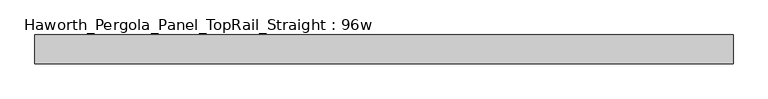
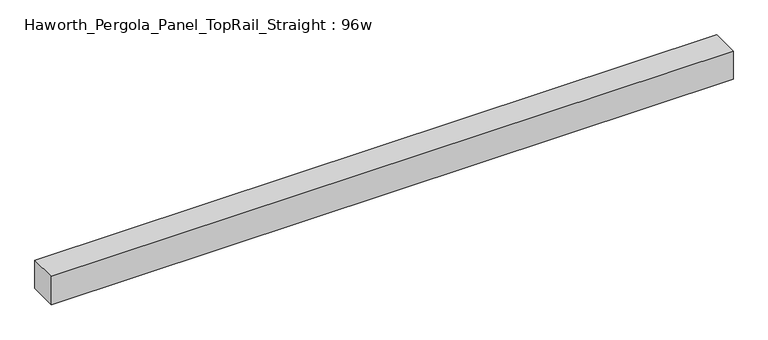
"""IFC4 building model written with IfcOpenShell, lengths in millimetres: furniture geometry, Haworth_Pergola_Panel_TopRail_Straight : 96w."""

from ifc_helpers import new_model, si_unit, frame, origin, place, context, project, spatial, polyline, outline, extrude, source, transform, mapped, element, save


def haworth_pergola_panel_toprail_straight_96w_3410b56a(model_context):
    return source(origin(), model_context, "Body", "SweptSolid", [
        extrude(outline(polyline([(2730.5, 50.8), (2730.5, -50.8), (292.1, -50.8), (292.1, 50.8), (2730.5, 50.8)])), frame((0.0, 0.0, 2331.8390625), z_axis=(0.0, 0.0, 1.0), x_axis=(1.0, 0.0, 0.0)), (0.0, 0.0, 1.0), 106.5609375),
    ])


if __name__ == "__main__":
    model = new_model("IFC4")
    model_context = context("Model", 3, world=origin())
    ifc_project = project(units=[si_unit("LENGTHUNIT", "METRE", prefix="MILLI")], contexts=[model_context])
    site = spatial("IfcSite", under=ifc_project)
    building = spatial("IfcBuilding", under=site)
    placement = place(None, origin())
    haworth_pergola_panel_toprail_straight_96w_shape = haworth_pergola_panel_toprail_straight_96w_3410b56a(model_context)
    element("IfcFurniture", 1, ObjectType="Haworth_Pergola_Panel_TopRail_Straight : 96w", at=placement, inside=building, context=model_context, shape_type="MappedRepresentation", body=[
        mapped(haworth_pergola_panel_toprail_straight_96w_shape, transform((0.0, 0.0, 0.0), x_axis=(1.0, 0.0, 0.0), y_axis=(0.0, 1.0, 0.0), z_axis=(0.0, 0.0, 1.0))),
    ])
    save(model, "model.ifc")
